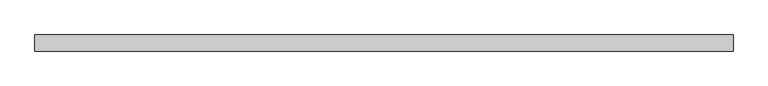
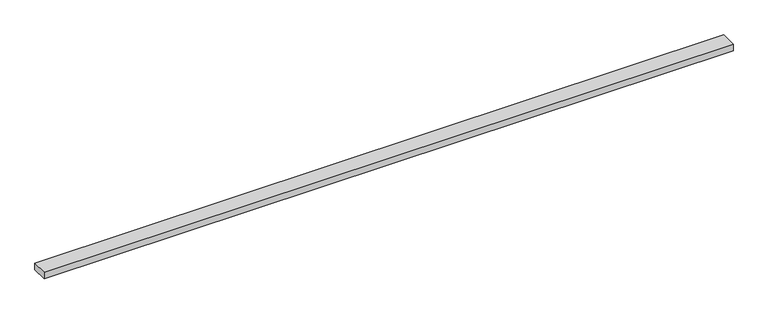
"""IFC4 building model written with IfcOpenShell, lengths in millimetres: beam geometry."""

from ifc_helpers import new_model, si_unit, frame, origin, place, context, project, spatial, polyline, outline, extrude, source, transform, mapped, element, save


def beam_de8724cc(model_context):
    return source(origin(), model_context, "Body", "SweptSolid", [
        extrude(outline(polyline([(1109.4767983, 25.0), (1109.4767983, -25.0), (-1054.619305, -25.0), (-1054.619305, 25.0), (1109.4767983, 25.0)])), frame((0.0, 0.0, -11.0), z_axis=(0.0, 0.0, 1.0), x_axis=(1.0, 0.0, 0.0)), (0.0, 0.0, 1.0), 22.0),
    ])


if __name__ == "__main__":
    model = new_model("IFC4")
    model_context = context("Model", 3, world=origin())
    ifc_project = project(units=[si_unit("LENGTHUNIT", "METRE", prefix="MILLI")], contexts=[model_context])
    site = spatial("IfcSite", under=ifc_project)
    building = spatial("IfcBuilding", under=site)
    placement = place(None, origin())
    beam_shape = beam_de8724cc(model_context)
    element("IfcBeam", 1, at=placement, inside=building, context=model_context, shape_type="MappedRepresentation", body=[
        mapped(beam_shape, transform((0.0, 0.0, 0.0), x_axis=(1.0, 0.0, 0.0), y_axis=(0.0, 1.0, 0.0), z_axis=(0.0, 0.0, 1.0))),
    ])
    save(model, "model.ifc")
